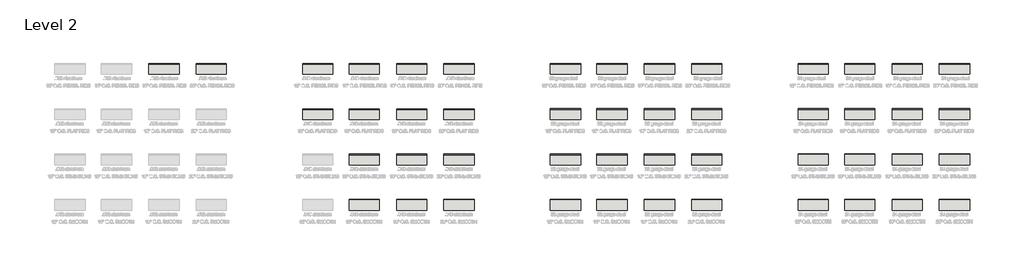
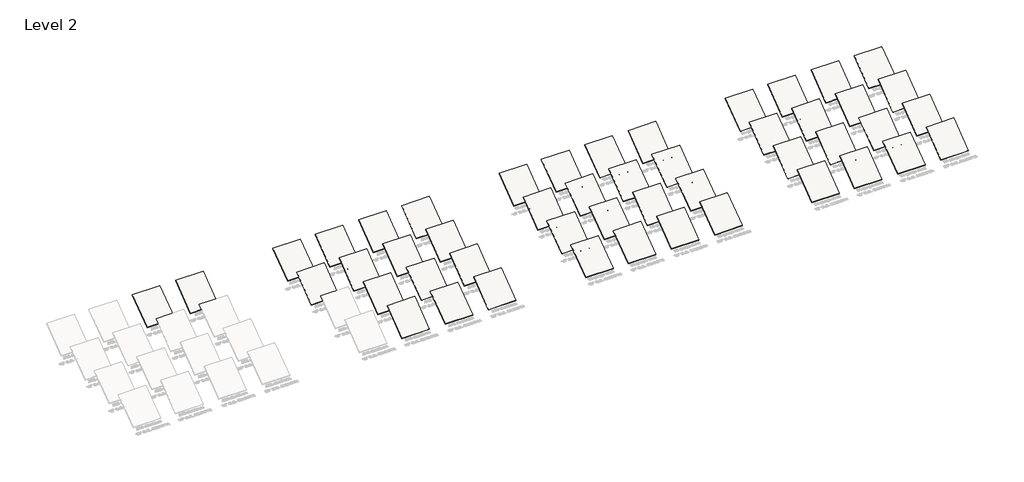
# One storey, part 49 of 177: 48 roofs.
"""IFC4 building model written with IfcOpenShell, lengths in millimetres."""

from ifc_helpers import new_model, si_unit, frame, origin, place, context, project, spatial, polyline, outline, extrude, element, save

model = new_model("IFC4")

# Units and contexts
model_context = context("Model", 3, world=origin())
ifc_project = project(units=[si_unit("LENGTHUNIT", "METRE", prefix="MILLI")], contexts=[model_context])

# Site, building, storey
site = spatial("IfcSite", under=ifc_project)
building = spatial("IfcBuilding", under=site)
storey = spatial("IfcBuildingStorey", under=building, Name="Level 2", Elevation=3048.0)

# Roofs
placement = place(None, origin())
element("IfcRoof", 1, at=placement, inside=storey, context=model_context, shape_type="SweptSolid", body=[
    extrude(outline(polyline([(19604.7555614, 3115.46875), (23719.5555614, 6201.56875), (23719.5555614, 6134.1), (19604.7555614, 3048.0), (19604.7555614, 3115.46875)])), frame((35454.0448413, 0.0, 0.0), z_axis=(1.0, 0.0, 0.0), x_axis=(0.0, 1.0, 0.0)), (0.0, 0.0, 1.0), 4455.1600003),
])
element("IfcRoof", 2, at=placement, inside=storey, context=model_context, shape_type="SweptSolid", body=[
    extrude(outline(polyline([(19604.7555614, 3115.46875), (23719.5555614, 6201.56875), (23719.5555614, 6134.1), (19604.7555614, 3048.0), (19604.7555614, 3115.46875)])), frame((42439.0448413, 0.0, 0.0), z_axis=(1.0, 0.0, 0.0), x_axis=(0.0, 1.0, 0.0)), (0.0, 0.0, 1.0), 4455.1600003),
])
element("IfcRoof", 3, at=placement, inside=storey, context=model_context, shape_type="SweptSolid", body=[
    extrude(outline(polyline([(-511.3300636, 3115.46875), (3603.4699364, 6201.56875), (3603.4699364, 6134.1), (-511.3300636, 3048.0), (-511.3300636, 3115.46875)])), frame((65029.8048416, 0.0, 0.0), z_axis=(1.0, 0.0, 0.0), x_axis=(0.0, 1.0, 0.0)), (0.0, 0.0, 1.0), 4455.1600003),
])
element("IfcRoof", 4, at=placement, inside=storey, context=model_context, shape_type="SweptSolid", body=[
    extrude(outline(polyline([(-511.3300636, 3115.46875), (3603.4699364, 6201.56875), (3603.4699364, 6134.1), (-511.3300636, 3048.0), (-511.3300636, 3115.46875)])), frame((72040.2048416, 0.0, 0.0), z_axis=(1.0, 0.0, 0.0), x_axis=(0.0, 1.0, 0.0)), (0.0, 0.0, 1.0), 4455.1600003),
])
element("IfcRoof", 5, at=placement, inside=storey, context=model_context, shape_type="SweptSolid", body=[
    extrude(outline(polyline([(-511.3300636, 3115.46875), (3603.4699364, 6201.56875), (3603.4699364, 6134.1), (-511.3300636, 3048.0), (-511.3300636, 3115.46875)])), frame((79025.2048416, 0.0, 0.0), z_axis=(1.0, 0.0, 0.0), x_axis=(0.0, 1.0, 0.0)), (0.0, 0.0, 1.0), 4455.1600003),
])
element("IfcRoof", 6, at=placement, inside=storey, context=model_context, shape_type="SweptSolid", body=[
    extrude(outline(polyline([(6194.2699364, 3115.46875), (10309.0699364, 6201.56875), (10309.0699364, 6134.1), (6194.2699364, 3048.0), (6194.2699364, 3115.46875)])), frame((65029.8048416, 0.0, 0.0), z_axis=(1.0, 0.0, 0.0), x_axis=(0.0, 1.0, 0.0)), (0.0, 0.0, 1.0), 4455.1600003),
])
element("IfcRoof", 7, at=placement, inside=storey, context=model_context, shape_type="SweptSolid", body=[
    extrude(outline(polyline([(6194.2699364, 3115.46875), (10309.0699364, 6201.56875), (10309.0699364, 6134.1), (6194.2699364, 3048.0), (6194.2699364, 3115.46875)])), frame((72040.2048416, 0.0, 0.0), z_axis=(1.0, 0.0, 0.0), x_axis=(0.0, 1.0, 0.0)), (0.0, 0.0, 1.0), 4455.1600003),
])
element("IfcRoof", 8, at=placement, inside=storey, context=model_context, shape_type="SweptSolid", body=[
    extrude(outline(polyline([(6194.2699364, 3115.46875), (10309.0699364, 6201.56875), (10309.0699364, 6134.1), (6194.2699364, 3048.0), (6194.2699364, 3115.46875)])), frame((79025.2048416, 0.0, 0.0), z_axis=(1.0, 0.0, 0.0), x_axis=(0.0, 1.0, 0.0)), (0.0, 0.0, 1.0), 4455.1600003),
])
element("IfcRoof", 9, at=placement, inside=storey, context=model_context, shape_type="SweptSolid", body=[
    extrude(outline(polyline([(12899.3936864, 3115.46875), (17014.1936864, 6201.56875), (17014.1936864, 6134.1), (12899.3936864, 3048.0), (12899.3936864, 3115.46875)])), frame((58171.8048416, 0.0, 0.0), z_axis=(1.0, 0.0, 0.0), x_axis=(0.0, 1.0, 0.0)), (0.0, 0.0, 1.0), 4455.1600003),
])
element("IfcRoof", 10, at=placement, inside=storey, context=model_context, shape_type="SweptSolid", body=[
    extrude(outline(polyline([(12899.3936864, 3115.46875), (17014.1936864, 6201.56875), (17014.1936864, 6134.1), (12899.3936864, 3048.0), (12899.3936864, 3115.46875)])), frame((65029.8048416, 0.0, 0.0), z_axis=(1.0, 0.0, 0.0), x_axis=(0.0, 1.0, 0.0)), (0.0, 0.0, 1.0), 4455.1600003),
])
element("IfcRoof", 11, at=placement, inside=storey, context=model_context, shape_type="SweptSolid", body=[
    extrude(outline(polyline([(12899.3936864, 3115.46875), (17014.1936864, 6201.56875), (17014.1936864, 6134.1), (12899.3936864, 3048.0), (12899.3936864, 3115.46875)])), frame((72040.2048416, 0.0, 0.0), z_axis=(1.0, 0.0, 0.0), x_axis=(0.0, 1.0, 0.0)), (0.0, 0.0, 1.0), 4455.1600003),
])
element("IfcRoof", 12, at=placement, inside=storey, context=model_context, shape_type="SweptSolid", body=[
    extrude(outline(polyline([(12899.3936864, 3115.46875), (17014.1936864, 6201.56875), (17014.1936864, 6134.1), (12899.3936864, 3048.0), (12899.3936864, 3115.46875)])), frame((79025.2048416, 0.0, 0.0), z_axis=(1.0, 0.0, 0.0), x_axis=(0.0, 1.0, 0.0)), (0.0, 0.0, 1.0), 4455.1600003),
])
element("IfcRoof", 13, at=placement, inside=storey, context=model_context, shape_type="SweptSolid", body=[
    extrude(outline(polyline([(19604.5174364, 3115.46875), (23719.3174364, 6201.56875), (23719.3174364, 6134.1), (19604.5174364, 3048.0), (19604.5174364, 3115.46875)])), frame((58171.8048416, 0.0, 0.0), z_axis=(1.0, 0.0, 0.0), x_axis=(0.0, 1.0, 0.0)), (0.0, 0.0, 1.0), 4455.1600003),
])
element("IfcRoof", 14, at=placement, inside=storey, context=model_context, shape_type="SweptSolid", body=[
    extrude(outline(polyline([(19604.5174364, 3115.46875), (23719.3174364, 6201.56875), (23719.3174364, 6134.1), (19604.5174364, 3048.0), (19604.5174364, 3115.46875)])), frame((65029.8048416, 0.0, 0.0), z_axis=(1.0, 0.0, 0.0), x_axis=(0.0, 1.0, 0.0)), (0.0, 0.0, 1.0), 4455.1600003),
])
element("IfcRoof", 15, at=placement, inside=storey, context=model_context, shape_type="SweptSolid", body=[
    extrude(outline(polyline([(19604.5174364, 3115.46875), (23719.3174364, 6201.56875), (23719.3174364, 6134.1), (19604.5174364, 3048.0), (19604.5174364, 3115.46875)])), frame((72040.2048416, 0.0, 0.0), z_axis=(1.0, 0.0, 0.0), x_axis=(0.0, 1.0, 0.0)), (0.0, 0.0, 1.0), 4455.1600003),
])
element("IfcRoof", 16, at=placement, inside=storey, context=model_context, shape_type="SweptSolid", body=[
    extrude(outline(polyline([(19604.5174364, 3115.46875), (23719.3174364, 6201.56875), (23719.3174364, 6134.1), (19604.5174364, 3048.0), (19604.5174364, 3115.46875)])), frame((79025.2048416, 0.0, 0.0), z_axis=(1.0, 0.0, 0.0), x_axis=(0.0, 1.0, 0.0)), (0.0, 0.0, 1.0), 4455.1600003),
])
element("IfcRoof", 17, at=placement, inside=storey, context=model_context, shape_type="SweptSolid", body=[
    extrude(outline(polyline([(-510.0203761, 3115.46875), (3604.7796239, 6201.56875), (3604.7796239, 6134.1), (-510.0203761, 3048.0), (-510.0203761, 3115.46875)])), frame((94757.9648419, 0.0, 0.0), z_axis=(1.0, 0.0, 0.0), x_axis=(0.0, 1.0, 0.0)), (0.0, 0.0, 1.0), 4455.1600003),
])
element("IfcRoof", 18, at=placement, inside=storey, context=model_context, shape_type="SweptSolid", body=[
    extrude(outline(polyline([(-510.0203761, 3115.46875), (3604.7796239, 6201.56875), (3604.7796239, 6134.1), (-510.0203761, 3048.0), (-510.0203761, 3115.46875)])), frame((101615.9648419, 0.0, 0.0), z_axis=(1.0, 0.0, 0.0), x_axis=(0.0, 1.0, 0.0)), (0.0, 0.0, 1.0), 4455.1600003),
])
element("IfcRoof", 19, at=placement, inside=storey, context=model_context, shape_type="SweptSolid", body=[
    extrude(outline(polyline([(-510.0203761, 3115.46875), (3604.7796239, 6201.56875), (3604.7796239, 6134.1), (-510.0203761, 3048.0), (-510.0203761, 3115.46875)])), frame((108626.3648419, 0.0, 0.0), z_axis=(1.0, 0.0, 0.0), x_axis=(0.0, 1.0, 0.0)), (0.0, 0.0, 1.0), 4455.1600003),
])
element("IfcRoof", 20, at=placement, inside=storey, context=model_context, shape_type="SweptSolid", body=[
    extrude(outline(polyline([(-510.0203761, 3115.46875), (3604.7796239, 6201.56875), (3604.7796239, 6134.1), (-510.0203761, 3048.0), (-510.0203761, 3115.46875)])), frame((115611.3648419, 0.0, 0.0), z_axis=(1.0, 0.0, 0.0), x_axis=(0.0, 1.0, 0.0)), (0.0, 0.0, 1.0), 4455.1600003),
])
element("IfcRoof", 21, at=placement, inside=storey, context=model_context, shape_type="SweptSolid", body=[
    extrude(outline(polyline([(6195.5796239, 3115.46875), (10310.3796239, 6201.56875), (10310.3796239, 6134.1), (6195.5796239, 3048.0), (6195.5796239, 3115.46875)])), frame((94757.9648419, 0.0, 0.0), z_axis=(1.0, 0.0, 0.0), x_axis=(0.0, 1.0, 0.0)), (0.0, 0.0, 1.0), 4455.1600003),
])
element("IfcRoof", 22, at=placement, inside=storey, context=model_context, shape_type="SweptSolid", body=[
    extrude(outline(polyline([(6195.5796239, 3115.46875), (10310.3796239, 6201.56875), (10310.3796239, 6134.1), (6195.5796239, 3048.0), (6195.5796239, 3115.46875)])), frame((101615.9648419, 0.0, 0.0), z_axis=(1.0, 0.0, 0.0), x_axis=(0.0, 1.0, 0.0)), (0.0, 0.0, 1.0), 4455.1600003),
])
element("IfcRoof", 23, at=placement, inside=storey, context=model_context, shape_type="SweptSolid", body=[
    extrude(outline(polyline([(6195.5796239, 3115.46875), (10310.3796239, 6201.56875), (10310.3796239, 6134.1), (6195.5796239, 3048.0), (6195.5796239, 3115.46875)])), frame((108626.3648419, 0.0, 0.0), z_axis=(1.0, 0.0, 0.0), x_axis=(0.0, 1.0, 0.0)), (0.0, 0.0, 1.0), 4455.1600003),
])
element("IfcRoof", 24, at=placement, inside=storey, context=model_context, shape_type="SweptSolid", body=[
    extrude(outline(polyline([(6195.5796239, 3115.46875), (10310.3796239, 6201.56875), (10310.3796239, 6134.1), (6195.5796239, 3048.0), (6195.5796239, 3115.46875)])), frame((115611.3648419, 0.0, 0.0), z_axis=(1.0, 0.0, 0.0), x_axis=(0.0, 1.0, 0.0)), (0.0, 0.0, 1.0), 4455.1600003),
])
element("IfcRoof", 25, at=placement, inside=storey, context=model_context, shape_type="SweptSolid", body=[
    extrude(outline(polyline([(12901.1796239, 3115.46875), (17015.9796239, 6201.56875), (17015.9796239, 6134.1), (12901.1796239, 3048.0), (12901.1796239, 3115.46875)])), frame((94757.9648419, 0.0, 0.0), z_axis=(1.0, 0.0, 0.0), x_axis=(0.0, 1.0, 0.0)), (0.0, 0.0, 1.0), 4455.1600003),
])
element("IfcRoof", 26, at=placement, inside=storey, context=model_context, shape_type="SweptSolid", body=[
    extrude(outline(polyline([(12901.1796239, 3115.46875), (17015.9796239, 6201.56875), (17015.9796239, 6134.1), (12901.1796239, 3048.0), (12901.1796239, 3115.46875)])), frame((101615.9648419, 0.0, 0.0), z_axis=(1.0, 0.0, 0.0), x_axis=(0.0, 1.0, 0.0)), (0.0, 0.0, 1.0), 4455.1600003),
])
element("IfcRoof", 27, at=placement, inside=storey, context=model_context, shape_type="SweptSolid", body=[
    extrude(outline(polyline([(12901.1796239, 3115.46875), (17015.9796239, 6201.56875), (17015.9796239, 6134.1), (12901.1796239, 3048.0), (12901.1796239, 3115.46875)])), frame((108626.3648419, 0.0, 0.0), z_axis=(1.0, 0.0, 0.0), x_axis=(0.0, 1.0, 0.0)), (0.0, 0.0, 1.0), 4455.1600003),
])
element("IfcRoof", 28, at=placement, inside=storey, context=model_context, shape_type="SweptSolid", body=[
    extrude(outline(polyline([(12901.1796239, 3115.46875), (17015.9796239, 6201.56875), (17015.9796239, 6134.1), (12901.1796239, 3048.0), (12901.1796239, 3115.46875)])), frame((115611.3648419, 0.0, 0.0), z_axis=(1.0, 0.0, 0.0), x_axis=(0.0, 1.0, 0.0)), (0.0, 0.0, 1.0), 4455.1600003),
])
element("IfcRoof", 29, at=placement, inside=storey, context=model_context, shape_type="SweptSolid", body=[
    extrude(outline(polyline([(19606.3033739, 3115.46875), (23721.1033739, 6201.56875), (23721.1033739, 6134.1), (19606.3033739, 3048.0), (19606.3033739, 3115.46875)])), frame((94757.9648419, 0.0, 0.0), z_axis=(1.0, 0.0, 0.0), x_axis=(0.0, 1.0, 0.0)), (0.0, 0.0, 1.0), 4455.1600003),
])
element("IfcRoof", 30, at=placement, inside=storey, context=model_context, shape_type="SweptSolid", body=[
    extrude(outline(polyline([(19606.3033739, 3115.46875), (23721.1033739, 6201.56875), (23721.1033739, 6134.1), (19606.3033739, 3048.0), (19606.3033739, 3115.46875)])), frame((101615.9648419, 0.0, 0.0), z_axis=(1.0, 0.0, 0.0), x_axis=(0.0, 1.0, 0.0)), (0.0, 0.0, 1.0), 4455.1600003),
])
element("IfcRoof", 31, at=placement, inside=storey, context=model_context, shape_type="SweptSolid", body=[
    extrude(outline(polyline([(19606.3033739, 3115.46875), (23721.1033739, 6201.56875), (23721.1033739, 6134.1), (19606.3033739, 3048.0), (19606.3033739, 3115.46875)])), frame((108626.3648419, 0.0, 0.0), z_axis=(1.0, 0.0, 0.0), x_axis=(0.0, 1.0, 0.0)), (0.0, 0.0, 1.0), 4455.1600003),
])
element("IfcRoof", 32, at=placement, inside=storey, context=model_context, shape_type="SweptSolid", body=[
    extrude(outline(polyline([(19606.3033739, 3115.46875), (23721.1033739, 6201.56875), (23721.1033739, 6134.1), (19606.3033739, 3048.0), (19606.3033739, 3115.46875)])), frame((115611.3648419, 0.0, 0.0), z_axis=(1.0, 0.0, 0.0), x_axis=(0.0, 1.0, 0.0)), (0.0, 0.0, 1.0), 4455.1600003),
])
element("IfcRoof", 33, at=placement, inside=storey, context=model_context, shape_type="SweptSolid", body=[
    extrude(outline(polyline([(-508.5916261, 3115.46875), (3606.2083739, 6201.56875), (3606.2083739, 6134.1), (-508.5916261, 3048.0), (-508.5916261, 3115.46875)])), frame((131344.1248422, 0.0, 0.0), z_axis=(1.0, 0.0, 0.0), x_axis=(0.0, 1.0, 0.0)), (0.0, 0.0, 1.0), 4455.1600003),
])
element("IfcRoof", 34, at=placement, inside=storey, context=model_context, shape_type="SweptSolid", body=[
    extrude(outline(polyline([(-508.5916261, 3115.46875), (3606.2083739, 6201.56875), (3606.2083739, 6134.1), (-508.5916261, 3048.0), (-508.5916261, 3115.46875)])), frame((138202.1248422, 0.0, 0.0), z_axis=(1.0, 0.0, 0.0), x_axis=(0.0, 1.0, 0.0)), (0.0, 0.0, 1.0), 4455.1600003),
])
element("IfcRoof", 35, at=placement, inside=storey, context=model_context, shape_type="SweptSolid", body=[
    extrude(outline(polyline([(-508.5916261, 3115.46875), (3606.2083739, 6201.56875), (3606.2083739, 6134.1), (-508.5916261, 3048.0), (-508.5916261, 3115.46875)])), frame((145212.5248422, 0.0, 0.0), z_axis=(1.0, 0.0, 0.0), x_axis=(0.0, 1.0, 0.0)), (0.0, 0.0, 1.0), 4455.1600003),
])
element("IfcRoof", 36, at=placement, inside=storey, context=model_context, shape_type="SweptSolid", body=[
    extrude(outline(polyline([(-508.5916261, 3115.46875), (3606.2083739, 6201.56875), (3606.2083739, 6134.1), (-508.5916261, 3048.0), (-508.5916261, 3115.46875)])), frame((152197.5248422, 0.0, 0.0), z_axis=(1.0, 0.0, 0.0), x_axis=(0.0, 1.0, 0.0)), (0.0, 0.0, 1.0), 4455.1600003),
])
element("IfcRoof", 37, at=placement, inside=storey, context=model_context, shape_type="SweptSolid", body=[
    extrude(outline(polyline([(6197.0083739, 3115.46875), (10311.8083739, 6201.56875), (10311.8083739, 6134.1), (6197.0083739, 3048.0), (6197.0083739, 3115.46875)])), frame((131344.1248422, 0.0, 0.0), z_axis=(1.0, 0.0, 0.0), x_axis=(0.0, 1.0, 0.0)), (0.0, 0.0, 1.0), 4455.1600003),
])
element("IfcRoof", 38, at=placement, inside=storey, context=model_context, shape_type="SweptSolid", body=[
    extrude(outline(polyline([(6197.0083739, 3115.46875), (10311.8083739, 6201.56875), (10311.8083739, 6134.1), (6197.0083739, 3048.0), (6197.0083739, 3115.46875)])), frame((138202.1248422, 0.0, 0.0), z_axis=(1.0, 0.0, 0.0), x_axis=(0.0, 1.0, 0.0)), (0.0, 0.0, 1.0), 4455.1600003),
])
element("IfcRoof", 39, at=placement, inside=storey, context=model_context, shape_type="SweptSolid", body=[
    extrude(outline(polyline([(6197.0083739, 3115.46875), (10311.8083739, 6201.56875), (10311.8083739, 6134.1), (6197.0083739, 3048.0), (6197.0083739, 3115.46875)])), frame((145212.5248422, 0.0, 0.0), z_axis=(1.0, 0.0, 0.0), x_axis=(0.0, 1.0, 0.0)), (0.0, 0.0, 1.0), 4455.1600003),
])
element("IfcRoof", 40, at=placement, inside=storey, context=model_context, shape_type="SweptSolid", body=[
    extrude(outline(polyline([(6197.0083739, 3115.46875), (10311.8083739, 6201.56875), (10311.8083739, 6134.1), (6197.0083739, 3048.0), (6197.0083739, 3115.46875)])), frame((152197.5248422, 0.0, 0.0), z_axis=(1.0, 0.0, 0.0), x_axis=(0.0, 1.0, 0.0)), (0.0, 0.0, 1.0), 4455.1600003),
])
element("IfcRoof", 41, at=placement, inside=storey, context=model_context, shape_type="SweptSolid", body=[
    extrude(outline(polyline([(12902.6083739, 3115.46875), (17017.4083739, 6201.56875), (17017.4083739, 6134.1), (12902.6083739, 3048.0), (12902.6083739, 3115.46875)])), frame((131344.1248422, 0.0, 0.0), z_axis=(1.0, 0.0, 0.0), x_axis=(0.0, 1.0, 0.0)), (0.0, 0.0, 1.0), 4455.1600003),
])
element("IfcRoof", 42, at=placement, inside=storey, context=model_context, shape_type="SweptSolid", body=[
    extrude(outline(polyline([(12902.6083739, 3115.46875), (17017.4083739, 6201.56875), (17017.4083739, 6134.1), (12902.6083739, 3048.0), (12902.6083739, 3115.46875)])), frame((138202.1248422, 0.0, 0.0), z_axis=(1.0, 0.0, 0.0), x_axis=(0.0, 1.0, 0.0)), (0.0, 0.0, 1.0), 4455.1600003),
])
element("IfcRoof", 43, at=placement, inside=storey, context=model_context, shape_type="SweptSolid", body=[
    extrude(outline(polyline([(12902.6083739, 3115.46875), (17017.4083739, 6201.56875), (17017.4083739, 6134.1), (12902.6083739, 3048.0), (12902.6083739, 3115.46875)])), frame((145212.5248422, 0.0, 0.0), z_axis=(1.0, 0.0, 0.0), x_axis=(0.0, 1.0, 0.0)), (0.0, 0.0, 1.0), 4455.1600003),
])
element("IfcRoof", 44, at=placement, inside=storey, context=model_context, shape_type="SweptSolid", body=[
    extrude(outline(polyline([(12902.6083739, 3115.46875), (17017.4083739, 6201.56875), (17017.4083739, 6134.1), (12902.6083739, 3048.0), (12902.6083739, 3115.46875)])), frame((152197.5248422, 0.0, 0.0), z_axis=(1.0, 0.0, 0.0), x_axis=(0.0, 1.0, 0.0)), (0.0, 0.0, 1.0), 4455.1600003),
])
element("IfcRoof", 45, at=placement, inside=storey, context=model_context, shape_type="SweptSolid", body=[
    extrude(outline(polyline([(19607.7321239, 3115.46875), (23722.5321239, 6201.56875), (23722.5321239, 6134.1), (19607.7321239, 3048.0), (19607.7321239, 3115.46875)])), frame((131344.1248422, 0.0, 0.0), z_axis=(1.0, 0.0, 0.0), x_axis=(0.0, 1.0, 0.0)), (0.0, 0.0, 1.0), 4455.1600003),
])
element("IfcRoof", 46, at=placement, inside=storey, context=model_context, shape_type="SweptSolid", body=[
    extrude(outline(polyline([(19607.7321239, 3115.46875), (23722.5321239, 6201.56875), (23722.5321239, 6134.1), (19607.7321239, 3048.0), (19607.7321239, 3115.46875)])), frame((138202.1248422, 0.0, 0.0), z_axis=(1.0, 0.0, 0.0), x_axis=(0.0, 1.0, 0.0)), (0.0, 0.0, 1.0), 4455.1600003),
])
element("IfcRoof", 47, at=placement, inside=storey, context=model_context, shape_type="SweptSolid", body=[
    extrude(outline(polyline([(19607.7321239, 3115.46875), (23722.5321239, 6201.56875), (23722.5321239, 6134.1), (19607.7321239, 3048.0), (19607.7321239, 3115.46875)])), frame((145212.5248422, 0.0, 0.0), z_axis=(1.0, 0.0, 0.0), x_axis=(0.0, 1.0, 0.0)), (0.0, 0.0, 1.0), 4455.1600003),
])
element("IfcRoof", 48, at=placement, inside=storey, context=model_context, shape_type="SweptSolid", body=[
    extrude(outline(polyline([(19607.7321239, 3115.46875), (23722.5321239, 6201.56875), (23722.5321239, 6134.1), (19607.7321239, 3048.0), (19607.7321239, 3115.46875)])), frame((152197.5248422, 0.0, 0.0), z_axis=(1.0, 0.0, 0.0), x_axis=(0.0, 1.0, 0.0)), (0.0, 0.0, 1.0), 4455.1600003),
])

save(model, "model.ifc")
